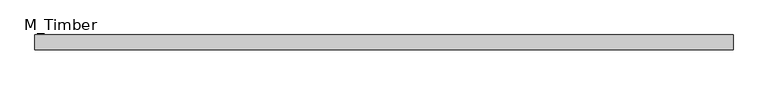
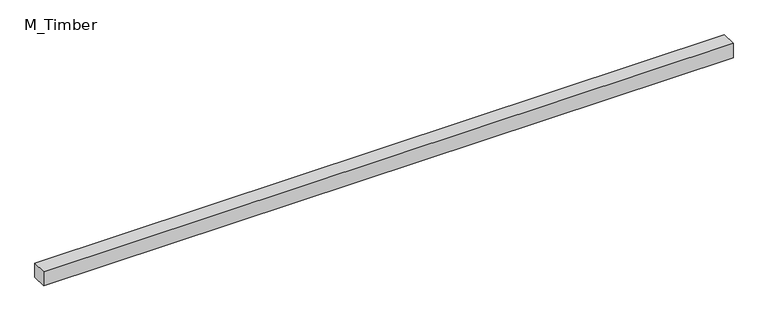
"""IFC4 building model written with IfcOpenShell, lengths in millimetres: beam geometry, M_Timber."""

from ifc_helpers import new_model, si_unit, frame, origin, place, context, project, spatial, polyline, outline, extrude, source, transform, mapped, element, save


def m_timber_882a9c50(model_context):
    return source(origin(), model_context, "Body", "SweptSolid", [
        extrude(outline(polyline([(925.7143987, 20.0), (925.7143987, -20.0), (-925.7143987, -20.0), (-925.7143987, 20.0), (925.7143987, 20.0)])), frame((0.0, 0.0, -20.0), z_axis=(0.0, 0.0, 1.0), x_axis=(1.0, 0.0, 0.0)), (0.0, 0.0, 1.0), 40.0),
    ])


if __name__ == "__main__":
    model = new_model("IFC4")
    model_context = context("Model", 3, world=origin())
    ifc_project = project(units=[si_unit("LENGTHUNIT", "METRE", prefix="MILLI")], contexts=[model_context])
    site = spatial("IfcSite", under=ifc_project)
    building = spatial("IfcBuilding", under=site)
    placement = place(None, origin())
    m_timber_shape = m_timber_882a9c50(model_context)
    element("IfcBeam", 1, ObjectType="M_Timber", at=placement, inside=building, context=model_context, shape_type="MappedRepresentation", body=[
        mapped(m_timber_shape, transform((0.0, 0.0, 0.0), x_axis=(1.0, 0.0, 0.0), y_axis=(0.0, 1.0, 0.0), z_axis=(0.0, 0.0, 1.0))),
    ])
    save(model, "model.ifc")
